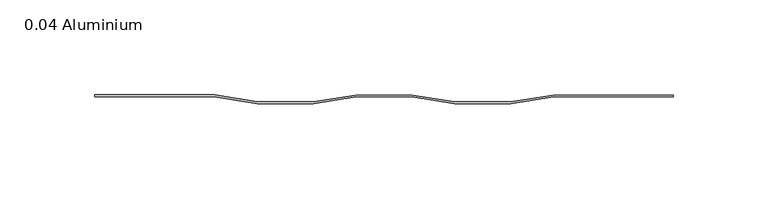
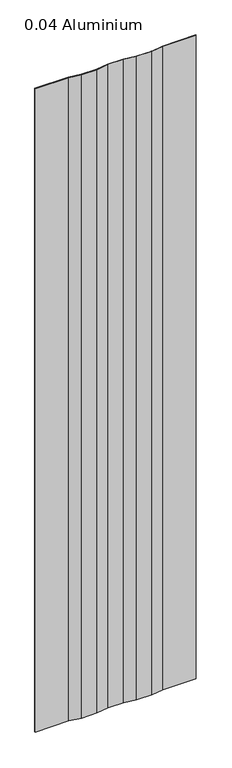
"""IFC4 building model written with IfcOpenShell, lengths in millimetres: plate geometry, 0.04 Aluminium."""

from ifc_helpers import new_model, si_unit, origin, origin_with_axes, place, context, project, spatial, polyline, outline, extrude, source, transform, mapped, element, save


def plate_0_04_aluminium_bb3a9a47(model_context):
    return source(origin(), model_context, "Body", "SweptSolid", [
        extrude(outline(polyline([(-89.30386, 1.016), (-66.80708, -2.53238), (-37.26688, -2.53238), (-14.7701, 0.8128), (14.7701, 0.8128), (37.26688, -2.73558), (66.80708, -2.73558), (89.30386, 0.8128), (152.4, 0.8128), (152.4, 0.0), (89.367567, 0.0), (66.870787, -3.54838), (37.203173, -3.54838), (14.706393, 0.0), (-14.706393, 0.0), (-37.203173, -3.54838), (-66.870787, -3.54838), (-89.367567, 0.0), (-152.4, 0.0), (-152.4, 1.016), (-89.30386, 1.016)])), origin_with_axes(), (0.0, 0.0, 1.0), 1285.875),
    ])


if __name__ == "__main__":
    model = new_model("IFC4")
    model_context = context("Model", 3, world=origin())
    ifc_project = project(units=[si_unit("LENGTHUNIT", "METRE", prefix="MILLI")], contexts=[model_context])
    site = spatial("IfcSite", under=ifc_project)
    building = spatial("IfcBuilding", under=site)
    placement = place(None, origin())
    plate_0_04_aluminium_shape = plate_0_04_aluminium_bb3a9a47(model_context)
    element("IfcPlate", 1, ObjectType="0.04 Aluminium", at=placement, inside=building, context=model_context, shape_type="MappedRepresentation", body=[
        mapped(plate_0_04_aluminium_shape, transform((0.0, 0.0, 0.0), x_axis=(1.0, 0.0, 0.0), y_axis=(0.0, 1.0, 0.0), z_axis=(0.0, 0.0, 1.0))),
    ])
    save(model, "model.ifc")
